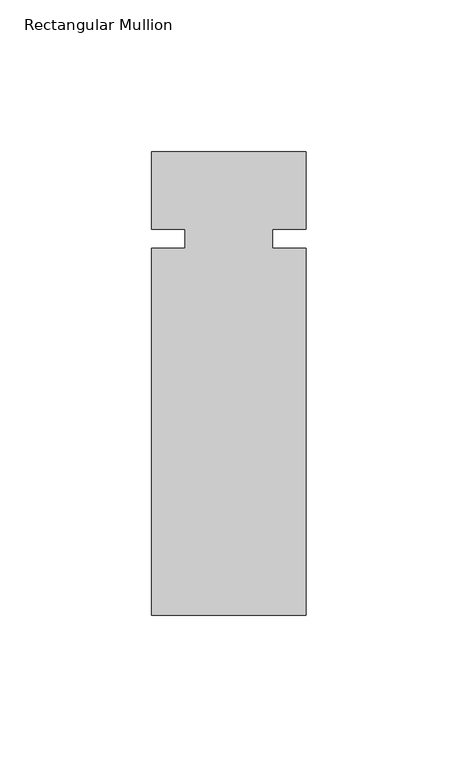
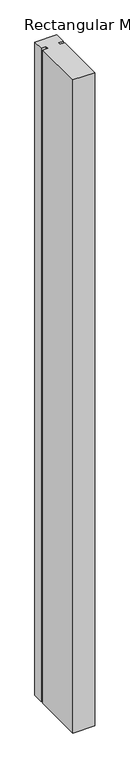
"""IFC4 building model written with IfcOpenShell, lengths in millimetres: member geometry, Rectangular Mullion."""

from ifc_helpers import new_model, si_unit, frame, origin, place, context, project, spatial, polyline, outline, extrude, source, transform, mapped, element, save


def rectangular_mullion_c8e38db3(model_context):
    return source(origin(), model_context, "Body", "SweptSolid", [
        extrude(outline(polyline([(25.4, -25.4), (14.3, -25.4), (14.3, -31.75), (25.4, -31.75), (25.4, -152.4), (-25.4, -152.4), (-25.4, -31.75), (-14.4984375, -31.75), (-14.4984375, -25.4), (-25.4, -25.4), (-25.4, 0.0), (25.4, 0.0), (25.4, -25.4)])), frame((0.0, 0.0, -1600.200584), z_axis=(0.0, 0.0, 1.0), x_axis=(1.0, 0.0, 0.0)), (0.0, 0.0, 1.0), 1600.200584),
    ])


if __name__ == "__main__":
    model = new_model("IFC4")
    model_context = context("Model", 3, world=origin())
    ifc_project = project(units=[si_unit("LENGTHUNIT", "METRE", prefix="MILLI")], contexts=[model_context])
    site = spatial("IfcSite", under=ifc_project)
    building = spatial("IfcBuilding", under=site)
    placement = place(None, origin())
    rectangular_mullion_shape = rectangular_mullion_c8e38db3(model_context)
    element("IfcMember", 1, ObjectType="Rectangular Mullion", at=placement, inside=building, context=model_context, shape_type="MappedRepresentation", body=[
        mapped(rectangular_mullion_shape, transform((0.0, 0.0, 0.0), x_axis=(1.0, 0.0, 0.0), y_axis=(0.0, 1.0, 0.0), z_axis=(0.0, 0.0, 1.0))),
    ])
    save(model, "model.ifc")
